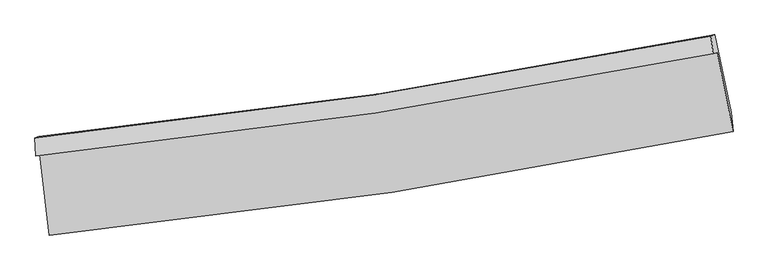
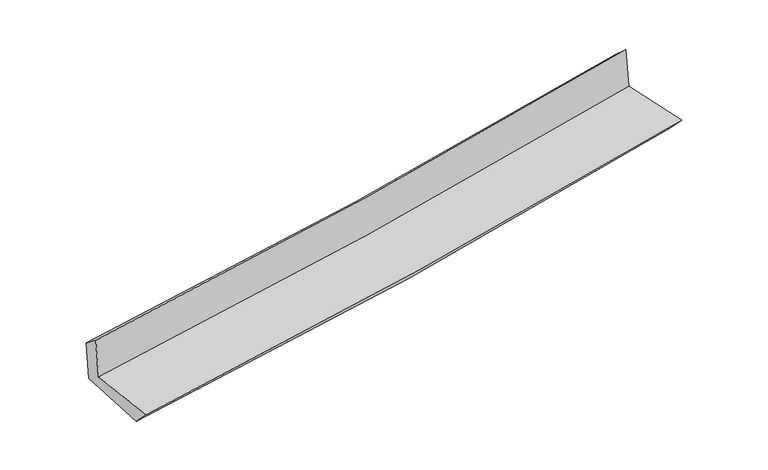
"""IFC4 building model written with IfcOpenShell, lengths in millimetres: proxy geometry."""

from ifc_helpers import new_model, si_unit, frame, origin, place, context, project, spatial, source, transform, mapped, element, save
from ifc_brep_helpers import plane_surface, spline_curve, spline_surface, advanced_brep


def generic_models_5aadd90a(model_context):
    return source(origin(), model_context, "Body", "AdvancedBrep", [
        advanced_brep(
        [(-2861.2840666, -1905.4984171, 1649.6469166), (-2783.7975569, -2580.2983232, 1640.8275757), (2940.3143612, -1711.4495094, 2153.4249534), (2806.3199527, -1050.1084839, 2146.7035238), (-2894.5952541, -1915.9122353, 2043.7442105), (2772.9527671, -1060.5398083, 2541.4633189), (-2901.8929354, -1765.95219, 1932.3471677), (2754.575785, -912.0837759, 2409.7955777), (-2869.1298096, -1755.7097081, 1544.7338702), (2788.0223593, -901.6276328, 2014.0965523), (-2787.8044634, -2415.6645149, 1472.7757087), (2923.5241855, -1553.4677331, 1982.5426049)],
        [
            (0, 1),
            (1, 2, spline_curve(3, [(-2783.7975569, -2580.2983232, 1640.8275757), (-1824.047168001, -2487.135209719, 1737.408276171), (-867.754734709, -2368.272287285, 1828.368700911), (1040.299908792, -2078.784870211, 1999.262672464), (1992.044781532, -1908.031521802, 2079.168040164), (2940.3143612, -1711.4495094, 2153.4249534)], [4, 2, 4], [0.0, 9.478163726067622, 18.980058690645464])),
            (2, 3),
            (3, 0, spline_curve(3, [(2806.3199527, -1050.1084839, 2146.7035238), (1866.778262319, -1238.871101879, 2071.52230708), (924.112652055, -1404.595261732, 1992.453670174), (-965.10427244, -1689.610305085, 1826.748741012), (-1911.640001989, -1809.016122716, 1740.13184191), (-2861.2840666, -1905.4984171, 1649.6469166)], [4, 2, 4], [0.0, 9.501894964577842, 18.980058690645464])),
            (4, 0),
            (3, 5),
            (5, 4, spline_curve(3, [(2772.9527671, -1060.5398083, 2541.4633189), (1833.120704601, -1249.393202845, 2469.717429155), (890.31476831, -1415.161232148, 2392.308961468), (-998.882741769, -1700.170205858, 2226.374342305), (-1945.259478909, -1819.526318834, 2137.876440593), (-2894.5952541, -1915.9122353, 2043.7442105)], [4, 2, 4], [0.0, 9.45304496399901, 18.882480693679522])),
            (6, 4),
            (5, 7),
            (7, 6, spline_curve(3, [(2754.575785, -912.0837759, 2409.7955777), (1817.105148366, -1100.426470403, 2335.03495509), (876.404034079, -1265.813820989, 2257.814457257), (-1009.101655512, -1550.32210544, 2098.65271542), (-1953.890114716, -1669.557559764, 2016.72374329), (-2901.8929354, -1765.95219, 1932.3471677)], [4, 2, 4], [0.0, 9.442426926627709, 18.861271137771144])),
            (8, 6),
            (7, 9),
            (9, 8, spline_curve(3, [(2788.0223593, -901.6276328, 2014.0965523), (1850.104051047, -1090.110279341, 1944.632235335), (909.122284034, -1255.585368123, 1870.732076062), (-976.610388465, -1540.164612784, 1714.255718812), (-1921.346011239, -1659.383549382, 1631.701650876), (-2869.1298096, -1755.7097081, 1544.7338702)], [4, 2, 4], [0.0, 9.431875645455333, 18.84019492753521])),
            (10, 8),
            (9, 11),
            (11, 10, spline_curve(3, [(2923.5241855, -1553.4677331, 1982.5426049), (1977.646134648, -1746.874348547, 1901.224950709), (1028.163469084, -1915.486260849, 1818.03009019), (-875.630729741, -2202.761492198, 1648.098426187), (-1829.924280583, -2321.548506791, 1561.370988137), (-2787.8044634, -2415.6645149, 1472.7757087)], [4, 2, 4], [0.0, 9.479744552813457, 18.935813188366474])),
            (1, 10),
            (11, 2),
        ],
        [
            spline_surface(3, 3, [[(-2861.2840666, -1905.4984171, 1649.6469166), (-1911.640002023, -1809.016122635, 1740.131842052), (-965.104272404, -1689.610304961, 1826.748740916), (924.11265202, -1404.595261856, 1992.453670271), (1866.778262174, -1238.871101804, 2071.522307147), (2806.3199527, -1050.1084839, 2146.7035238)], [(-2835.455230026, -2130.43171913, 1646.707136293), (-1882.442390706, -2035.055818333, 1739.223986709), (-932.654426554, -1915.830965677, 1827.288727583), (962.841737608, -1629.325131331, 1994.723337715), (1908.533768653, -1461.92457508, 2074.070884866), (2850.984755549, -1270.555492384, 2148.944000348)], [(-2809.626393474, -2355.36502117, 1643.767356007), (-1853.244779412, -2261.095514043, 1738.316131386), (-900.204580627, -2142.051626446, 1827.828714177), (1001.570823273, -1854.055000859, 1996.993005086), (1950.289275085, -1684.978048404, 2076.619462542), (2895.649558351, -1491.002500916, 2151.184476852)], [(-2783.7975569, -2580.2983232, 1640.8275757), (-1824.047168095, -2487.135209741, 1737.408276043), (-867.754734777, -2368.272287162, 1828.368700844), (1040.29990886, -2078.784870335, 1999.26267253), (1992.044781565, -1908.03152168, 2079.168040261), (2940.3143612, -1711.4495094, 2153.4249534)]], [4, 4], [4, 2, 4], [0.0, 2.246756458987314], [0.0, 9.478163726067622, 18.980058690645464]),
            spline_surface(3, 3, [[(-2894.5952541, -1915.9122353, 2043.7442105), (-1945.259479, -1819.526318983, 2137.8764406), (-998.882741649, -1700.17020584, 2226.374342375), (890.31476819, -1415.161232166, 2392.308961398), (1833.120704582, -1249.393202948, 2469.717429099), (2772.9527671, -1060.5398083, 2541.4633189)], [(-2883.491524942, -1912.440962571, 1912.378445871), (-1934.052986683, -1816.022920205, 2005.294907755), (-987.623251894, -1696.650238884, 2093.165808549), (901.580729474, -1411.639242066, 2259.023864349), (1844.339890438, -1245.885835887, 2336.985721787), (2784.075162293, -1057.062700154, 2409.876720539)], [(-2872.387795758, -1908.969689829, 1781.012681229), (-1922.846494339, -1812.519521413, 1872.713374897), (-976.36376216, -1693.130271917, 1959.957274742), (912.846690736, -1408.117251956, 2125.73876732), (1855.559076317, -1242.378468865, 2204.254014459), (2795.197557507, -1053.585592046, 2278.290122161)], [(-2861.2840666, -1905.4984171, 1649.6469166), (-1911.640002023, -1809.016122635, 1740.131842052), (-965.104272404, -1689.610304961, 1826.748740916), (924.11265202, -1404.595261856, 1992.453670271), (1866.778262174, -1238.871101804, 2071.522307147), (2806.3199527, -1050.1084839, 2146.7035238)]], [4, 4], [4, 2, 4], [0.0, 1.316618118674651], [0.0, 9.429435729680511, 18.882480693679522]),
            spline_surface(3, 3, [[(-2901.8929354, -1765.95219, 1932.3471677), (-1953.890114708, -1669.557559866, 2016.723743205), (-1009.101655589, -1550.322105559, 2098.652715393), (876.404034155, -1265.813820871, 2257.814457284), (1817.105148468, -1100.42647044, 2335.034955043), (2754.575785, -912.0837759, 2409.7955777)], [(-2899.460374957, -1815.938871779, 1969.479515311), (-1951.013236129, -1719.547146251, 2057.107975681), (-1005.695350931, -1600.271472334, 2141.226591038), (881.040945511, -1315.596291317, 2302.64595864), (1822.443667161, -1150.082047951, 2379.929113042), (2760.701445688, -961.569120041, 2453.684824747)], [(-2897.027814543, -1865.925553521, 2006.611862889), (-1948.136357579, -1769.536732598, 2097.492208124), (-1002.289046307, -1650.220839065, 2183.80046673), (885.677856834, -1365.37876172, 2347.477460042), (1827.782185889, -1199.737625438, 2424.8232711), (2766.827106412, -1011.054464159, 2497.574071853)], [(-2894.5952541, -1915.9122353, 2043.7442105), (-1945.259479, -1819.526318983, 2137.8764406), (-998.882741649, -1700.17020584, 2226.374342375), (890.31476819, -1415.161232166, 2392.308961398), (1833.120704582, -1249.393202948, 2469.717429099), (2772.9527671, -1060.5398083, 2541.4633189)]], [4, 4], [4, 2, 4], [0.0, 0.6538386640140698], [0.0, 9.418844211143435, 18.861271137771144]),
            spline_surface(3, 3, [[(-2869.1298096, -1755.7097081, 1544.7338702), (-1921.346011281, -1659.383549231, 1631.701650919), (-976.610388554, -1540.164612755, 1714.255718944), (909.122284123, -1255.585368152, 1870.732075929), (1850.104051005, -1090.110279491, 1944.632235237), (2788.0223593, -901.6276328, 2014.0965523)], [(-2880.050851537, -1759.123868739, 1673.938302699), (-1932.19404576, -1662.774886115, 1760.042348347), (-987.440810899, -1543.550443694, 1842.388051111), (898.216200801, -1258.994852396, 1999.759536398), (1839.104416827, -1093.549009813, 2074.766475181), (2776.873501201, -905.113013839, 2145.996227442)], [(-2890.971893463, -1762.538029361, 1803.142735201), (-1943.042080229, -1666.166222982, 1888.383045777), (-998.271233244, -1546.936274619, 1970.520383226), (887.310117478, -1262.404336626, 2128.786996815), (1828.104782646, -1096.987740118, 2204.9007151), (2765.724643099, -908.598394861, 2277.895902558)], [(-2901.8929354, -1765.95219, 1932.3471677), (-1953.890114708, -1669.557559866, 2016.723743205), (-1009.101655589, -1550.322105559, 2098.652715393), (876.404034155, -1265.813820871, 2257.814457284), (1817.105148468, -1100.42647044, 2335.034955043), (2754.575785, -912.0837759, 2409.7955777)]], [4, 4], [4, 2, 4], [0.0, 1.2705142719018403], [0.0, 9.408319282079878, 18.84019492753521]),
            spline_surface(3, 3, [[(-2787.8044634, -2415.6645149, 1472.7757087), (-1829.9242807, -2321.548506949, 1561.370988099), (-875.630729859, -2202.761492056, 1648.09842631), (1028.163469203, -1915.486260992, 1818.030090067), (1977.646134658, -1746.874348646, 1901.224950616), (2923.5241855, -1553.4677331, 1982.5426049)], [(-2814.912912155, -2195.679579285, 1496.761762502), (-1860.398190915, -2100.826854361, 1584.814542341), (-909.290616105, -1981.895865615, 1670.150857167), (988.483074162, -1695.519296705, 1835.597418667), (1935.132106763, -1527.952992279, 1915.694045489), (2878.356910089, -1336.187699684, 1993.060587366)], [(-2842.021360845, -1975.694643715, 1520.747816398), (-1890.872101066, -1880.105201819, 1608.258096677), (-942.950502308, -1761.030239195, 1692.203288087), (948.802679164, -1475.552332439, 1853.16474733), (1892.618078901, -1309.031635858, 1930.163140364), (2833.189634711, -1118.907666216, 2003.578569834)], [(-2869.1298096, -1755.7097081, 1544.7338702), (-1921.346011281, -1659.383549231, 1631.701650919), (-976.610388554, -1540.164612755, 1714.255718944), (909.122284123, -1255.585368152, 1870.732075929), (1850.104051005, -1090.110279491, 1944.632235237), (2788.0223593, -901.6276328, 2014.0965523)]], [4, 4], [4, 2, 4], [0.0, 2.207892545398225], [0.0, 9.456068635553017, 18.935813188366474]),
            spline_surface(3, 3, [[(-2783.7975569, -2580.2983232, 1640.8275757), (-1824.047168095, -2487.135209741, 1737.408276043), (-867.754734777, -2368.272287162, 1828.368700844), (1040.29990886, -2078.784870335, 1999.26267253), (1992.044781565, -1908.03152168, 2079.168040261), (2940.3143612, -1711.4495094, 2153.4249534)], [(-2785.133192384, -2525.420387095, 1584.810286723), (-1826.006205614, -2431.939642139, 1678.729180085), (-870.38006645, -2313.102022129, 1768.278609335), (1036.254428996, -2024.352000556, 1938.851811711), (1987.245232609, -1854.312464, 2019.853677038), (2934.71763598, -1658.788917297, 2096.464170559)], [(-2786.468827916, -2470.542451005, 1528.792997677), (-1827.965243181, -2376.744074551, 1620.050084057), (-873.005398187, -2257.931757089, 1708.18851782), (1032.208949067, -1969.919130771, 1878.440950887), (1982.445683614, -1800.593406327, 1960.539313839), (2929.12091072, -1606.128325203, 2039.503387741)], [(-2787.8044634, -2415.6645149, 1472.7757087), (-1829.9242807, -2321.548506949, 1561.370988099), (-875.630729859, -2202.761492056, 1648.09842631), (1028.163469203, -1915.486260992, 1818.030090067), (1977.646134658, -1746.874348646, 1901.224950616), (2923.5241855, -1553.4677331, 1982.5426049)]], [4, 4], [4, 2, 4], [0.0, 0.8022960645128635], [0.0, 9.51539168331401, 19.05460781575985]),
            plane_surface(frame((2830.9515685, -1198.2128239, 2208.0044218), z_axis=(0.9761303874650159, 0.1986658376170393, 0.08775734517018065), x_axis=(-0.08419576900232476, -0.026321470259839847, 0.9961015272980298))),
            plane_surface(frame((-2849.750681, -2056.5058981, 1714.0125749), z_axis=(-0.9898634134963803, -0.11253252122589018, -0.08664210459031196), x_axis=(-0.11406961101975142, 0.9933879210669501, 0.012983147541545125))),
        ],
        [
            (0, [[1, 2, 3, 4]]),
            (1, [[5, -4, 6, 7]]),
            (2, [[8, -7, 9, 10]]),
            (3, [[11, -10, 12, 13]]),
            (4, [[14, -13, 15, 16]]),
            (5, [[17, -16, 18, -2]]),
            (6, [[-12, -9, -6, -3, -18, -15]]),
            (7, [[-1, -5, -8, -11, -14, -17]]),
        ],
    ),
    ])


if __name__ == "__main__":
    model = new_model("IFC4")
    model_context = context("Model", 3, world=origin())
    ifc_project = project(units=[si_unit("LENGTHUNIT", "METRE", prefix="MILLI")], contexts=[model_context])
    site = spatial("IfcSite", under=ifc_project)
    building = spatial("IfcBuilding", under=site)
    placement = place(None, origin())
    generic_models_shape = generic_models_5aadd90a(model_context)
    element("IfcBuildingElementProxy", 1, Name="Generic Models", at=placement, inside=building, context=model_context, shape_type="MappedRepresentation", body=[
        mapped(generic_models_shape, transform((0.0, 0.0, 0.0), x_axis=(1.0, 0.0, 0.0), y_axis=(0.0, 1.0, 0.0), z_axis=(0.0, 0.0, 1.0))),
    ])
    save(model, "model.ifc")
